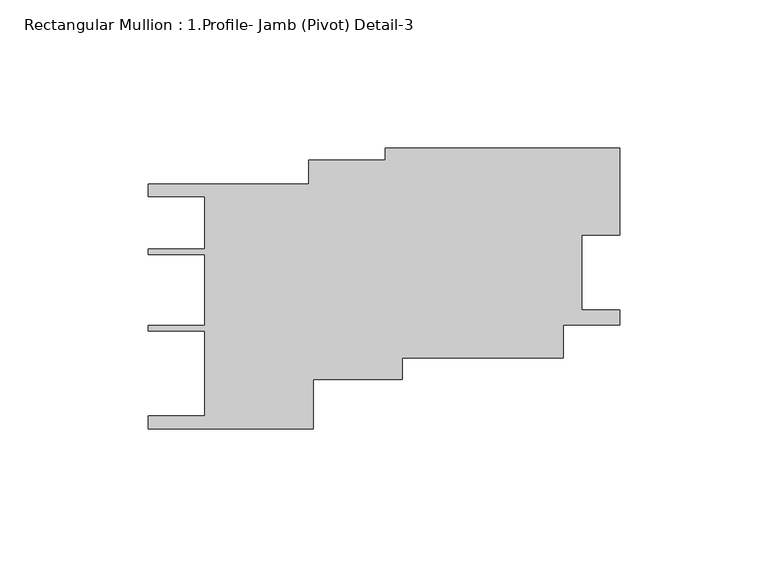
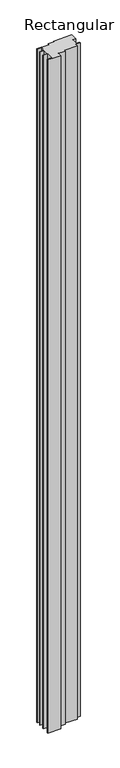
"""IFC4 building model written with IfcOpenShell, lengths in millimetres: member geometry, Rectangular Mullion : 1.Profile- Jamb (Pivot) Detail-3."""

from ifc_helpers import new_model, si_unit, frame, origin, place, context, project, spatial, polyline, outline, extrude, source, transform, mapped, element, save


def rectangular_mullion_1_profile_jamb_pivot_detail_3_cc82971e(model_context):
    return source(origin(), model_context, "Body", "SweptSolid", [
        extrude(outline(polyline([(-12.7015316, 5.2857871), (-12.7015316, -19.8676107), (0.0, -19.8676107), (0.0, -25.0748221), (-19.0507734, -25.0748221), (-19.0507734, -36.0988697), (-73.2691218, -36.0988697), (-73.2691218, -43.3389508), (-103.2026563, -43.3389508), (-103.2026563, -59.9746881), (-158.7674145, -59.9746881), (-158.7674145, -55.6565128), (-139.7166411, -55.6565128), (-139.7166411, -27.007185), (-158.7597468, -27.007185), (-158.7597468, -25.2291128), (-139.751753, -25.2291128), (-139.751753, -1.2251922), (-158.7597468, -1.2251922), (-158.7597468, 0.55288), (-139.7166411, 0.55288), (-139.7166411, 18.2604065), (-158.7674145, 18.2604065), (-158.7674145, 22.5785818), (-104.782603, 22.5785818), (-104.782603, 30.5788944), (-78.9052247, 30.5788944), (-78.9052247, 34.5979853), (-0.0104709, 34.5979853), (-0.0014555, 5.2857871), (-12.7015316, 5.2857871)])), frame((0.0, 0.0, -3048.0), z_axis=(0.0, 0.0, 1.0), x_axis=(1.0, 0.0, 0.0)), (0.0, 0.0, 1.0), 3048.0),
    ])


if __name__ == "__main__":
    model = new_model("IFC4")
    model_context = context("Model", 3, world=origin())
    ifc_project = project(units=[si_unit("LENGTHUNIT", "METRE", prefix="MILLI")], contexts=[model_context])
    site = spatial("IfcSite", under=ifc_project)
    building = spatial("IfcBuilding", under=site)
    placement = place(None, origin())
    rectangular_mullion_1_profile_jamb_pivot_detail_3_shape = rectangular_mullion_1_profile_jamb_pivot_detail_3_cc82971e(model_context)
    element("IfcMember", 1, ObjectType="Rectangular Mullion : 1.Profile- Jamb (Pivot) Detail-3", at=placement, inside=building, context=model_context, shape_type="MappedRepresentation", body=[
        mapped(rectangular_mullion_1_profile_jamb_pivot_detail_3_shape, transform((0.0, 0.0, 0.0), x_axis=(1.0, 0.0, 0.0), y_axis=(0.0, 1.0, 0.0), z_axis=(0.0, 0.0, 1.0))),
    ])
    save(model, "model.ifc")
